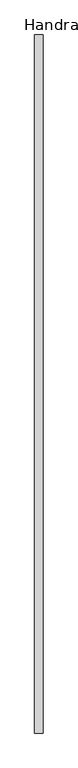
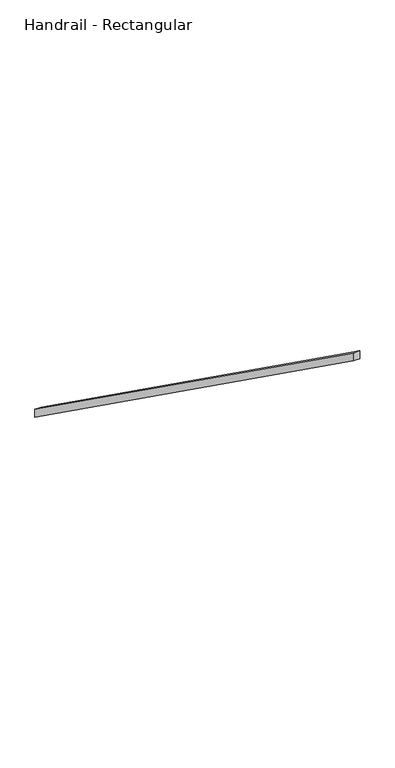
"""IFC4 building model written with IfcOpenShell, lengths in millimetres: railing geometry, Handrail - Rectangular."""

import ifcopenshell
import ifcopenshell.guid

model = None  # the IFC model being written
_history = None  # IfcOwnerHistory: only IFC2X3 demands one
_inside = {}  # id of a spatial element -> (the spatial element, [elements in it])
_under = {}  # id of a project, library or spatial element -> (it, [spatial elements below it])
_declared = {}  # id of a project -> (the project, [libraries it declares])
_typed = {}  # id of a type object -> (the type object, [elements of that type])
_made_of = {}  # id of a material, layer set ... -> (it, [elements and type objects made of it])


def new_model(schema):
    """Start an empty IFC model of exactly this schema.

    Asked for "IFC4X3", IfcOpenShell would pick the latest addendum, in which some entities
    have other attributes; the version numbers below select the first issue.
    IFC2X3 requires an IfcOwnerHistory on every rooted entity: one is made here for all.
    """
    global model, _history
    if schema == "IFC4X3":
        model = ifcopenshell.file(schema_version=(4, 3, 0, 0))
    else:
        model = ifcopenshell.file(schema=schema)
    _inside.clear()
    _under.clear()
    _declared.clear()
    _typed.clear()
    _made_of.clear()
    _history = None
    if model.schema == "IFC2X3":
        org = make("IfcOrganization", Name="unknown")
        user = make(
            "IfcPersonAndOrganization",
            ThePerson=make("IfcPerson", FamilyName="unknown"),
            TheOrganization=org,
        )
        app = make(
            "IfcApplication",
            ApplicationDeveloper=org,
            Version="unknown",
            ApplicationFullName="unknown",
            ApplicationIdentifier="unknown",
        )
        _history = make(
            "IfcOwnerHistory",
            OwningUser=user,
            OwningApplication=app,
            ChangeAction="ADDED",
            CreationDate=0,
        )
    return model


def make(cls, **values):
    """One entity of the class cls with the attributes given. An attribute that is None is left unset."""
    return model.create_entity(
        cls, **{name: value for name, value in values.items() if value is not None}
    )


def rooted(cls, **values):
    """An entity with a GlobalId (a new one), such as an element, a storey or a relation."""
    return make(cls, GlobalId=ifcopenshell.guid.new(), OwnerHistory=_history, **values)


def si_unit(unit_type, name, prefix=None):
    """IfcSIUnit, for example si_unit("LENGTHUNIT", "METRE", prefix="MILLI")."""
    return make("IfcSIUnit", UnitType=unit_type, Prefix=prefix, Name=name)


def assignment(units):
    """IfcUnitAssignment: the units of a project."""
    return None if units is None else make("IfcUnitAssignment", Units=units)


def point(xyz):
    """IfcCartesianPoint."""
    return None if xyz is None else make("IfcCartesianPoint", Coordinates=xyz)


def direction(xyz):
    """IfcDirection."""
    return None if xyz is None else make("IfcDirection", DirectionRatios=xyz)


def frame(location, z_axis=None, x_axis=None):
    """IfcAxis2Placement3D, a coordinate frame: its origin and axes. An axis left out is left unset."""
    return make(
        "IfcAxis2Placement3D",
        Location=point(location),
        Axis=direction(z_axis),
        RefDirection=direction(x_axis),
    )


def origin():
    """The frame at (0, 0, 0) with its axes left unset."""
    return frame((0.0, 0.0, 0.0))


def place(relative_to, where):
    """IfcLocalPlacement: puts the frame where relative to a parent placement (None: the world)."""
    return make(
        "IfcLocalPlacement", PlacementRelTo=relative_to, RelativePlacement=where
    )


def context(
    kind, dimensions, precision=None, world=None, true_north=None, identifier=None
):
    """IfcGeometricRepresentationContext, for example the 3D "Model" context."""
    return make(
        "IfcGeometricRepresentationContext",
        ContextIdentifier=identifier,
        ContextType=kind,
        CoordinateSpaceDimension=dimensions,
        Precision=precision,
        WorldCoordinateSystem=world,
        TrueNorth=true_north,
    )


def project(units=None, contexts=None):
    """IfcProject with its units and contexts."""
    return rooted(
        "IfcProject",
        Name="project",
        RepresentationContexts=contexts,
        UnitsInContext=assignment(units),
    )


def spatial(cls, under=None, at=None, **own):
    """A site, building, storey or space (cls), placed at a placement, below another one or the project."""
    s = rooted(cls, ObjectPlacement=at, **own)
    if under is not None:
        _under.setdefault(under.id(), (under, []))[1].append(s)
    return s


def polyline(points):
    """IfcPolyline through the points."""
    return make("IfcPolyline", Points=[point(p) for p in points])


def outline(outer, holes=None, kind="AREA"):
    """IfcArbitraryClosedProfileDef: a profile drawn as a closed curve; with holes, ...WithVoids."""
    if holes is None:
        return make("IfcArbitraryClosedProfileDef", ProfileType=kind, OuterCurve=outer)
    return make(
        "IfcArbitraryProfileDefWithVoids",
        ProfileType=kind,
        OuterCurve=outer,
        InnerCurves=holes,
    )


def extrude(swept, where, along, depth):
    """IfcExtrudedAreaSolid: the profile swept, set in the frame where, extruded along a direction by depth."""
    return make(
        "IfcExtrudedAreaSolid",
        SweptArea=swept,
        Position=where,
        ExtrudedDirection=direction(along),
        Depth=depth,
    )


def shape(context_of_items, identifier, shape_type, items):
    """IfcShapeRepresentation: the items that make up one representation, for example the "Body"."""
    return make(
        "IfcShapeRepresentation",
        ContextOfItems=context_of_items,
        RepresentationIdentifier=identifier,
        RepresentationType=shape_type,
        Items=items,
    )


def source(mapping_origin, context_of_items, identifier, shape_type, items):
    """IfcRepresentationMap: a shape defined once, which mapped items show again and again."""
    return make(
        "IfcRepresentationMap",
        MappingOrigin=mapping_origin,
        MappedRepresentation=shape(context_of_items, identifier, shape_type, items),
    )


def transform(
    local_origin,
    x_axis=None,
    y_axis=None,
    z_axis=None,
    scale=None,
    scale2=None,
    scale3=None,
    uniform=True,
):
    """IfcCartesianTransformationOperator3D, or its non-uniform kind. x_axis, y_axis, z_axis: its Axis1, 2, 3."""
    if uniform:
        return make(
            "IfcCartesianTransformationOperator3D",
            Axis1=direction(x_axis),
            Axis2=direction(y_axis),
            LocalOrigin=point(local_origin),
            Scale=scale,
            Axis3=direction(z_axis),
        )
    return make(
        "IfcCartesianTransformationOperator3DnonUniform",
        Axis1=direction(x_axis),
        Axis2=direction(y_axis),
        LocalOrigin=point(local_origin),
        Scale=scale,
        Axis3=direction(z_axis),
        Scale2=scale2,
        Scale3=scale3,
    )


def mapped(mapping_source, mapping_target):
    """IfcMappedItem: shows the shape of a source again, moved by a transform."""
    return make(
        "IfcMappedItem", MappingSource=mapping_source, MappingTarget=mapping_target
    )


def made_of(thing, what):
    """Note that an element or type object is made of a material, layer set ...; save() writes the relation."""
    if what is not None:
        _made_of.setdefault(what.id(), (what, []))[1].append(thing)
    return thing


def element(
    cls,
    number,
    at=None,
    inside=None,
    cuts=None,
    type_object=None,
    material=None,
    context=None,
    identifier="Body",
    shape_type=None,
    held_by="IfcProductDefinitionShape",
    body=None,
    shapes=None,
    **own,
):
    """One element of the class cls, such as IfcWall. Its Tag is "e" and its number.

    at: its placement. inside: the storey or other place that contains it. cuts: it is an
    opening in that element (IfcRelVoidsElement). A single representation is given by context,
    identifier, shape_type and body (its items); several are given by shapes. held_by: the class
    of the entity that holds the representations. save() writes the other relations.
    """
    e = rooted(cls, Tag="e%d" % number, ObjectPlacement=at, **own)
    if body is not None:
        shapes = [shape(context, identifier, shape_type, body)]
    if shapes is not None:
        e.Representation = make(held_by, Representations=shapes)
    if inside is not None:
        _inside.setdefault(inside.id(), (inside, []))[1].append(e)
    if cuts is not None:
        rooted(
            "IfcRelVoidsElement", RelatingBuildingElement=cuts, RelatedOpeningElement=e
        )
    if type_object is not None:
        _typed.setdefault(type_object.id(), (type_object, []))[1].append(e)
    return made_of(e, material)


def aggregate(whole, parts):
    """IfcRelAggregates: a whole, such as a stair, and the parts it consists of."""
    return rooted("IfcRelAggregates", RelatingObject=whole, RelatedObjects=parts)


def save(model, path):
    """Write the relations noted so far, then the file.

    IfcRelAggregates (storeys below a building ...), IfcRelContainedInSpatialStructure (elements
    in a storey), IfcRelDefinesByType, IfcRelAssociatesMaterial and IfcRelDeclares: one each for
    every whole, place, type object, material and project.
    """
    for whole, parts in _under.values():
        aggregate(whole, parts)
    for where, things in _inside.values():
        rooted(
            "IfcRelContainedInSpatialStructure",
            RelatedElements=things,
            RelatingStructure=where,
        )
    for kind, things in _typed.values():
        rooted("IfcRelDefinesByType", RelatedObjects=things, RelatingType=kind)
    for what, things in _made_of.values():
        rooted("IfcRelAssociatesMaterial", RelatedObjects=things, RelatingMaterial=what)
    for by, libraries in _declared.values():
        rooted("IfcRelDeclares", RelatingContext=by, RelatedDefinitions=libraries)
    model.write(path)


def handrail_rectangular_80221537(model_context):
    return source(origin(), model_context, "Body", "SweptSolid", [
        extrude(outline(polyline([(3954.1935985, 1741.7142857), (3954.1935985, 1679.2859823), (-313.0064015, 4727.2859823), (-313.0064015, 4789.7142857), (3954.1935985, 1741.7142857)])), frame((-1341.930083, 0.0, 0.0), z_axis=(1.0, 0.0, 0.0), x_axis=(0.0, 1.0, 0.0)), (0.0, 0.0, 1.0), 50.8),
    ])


if __name__ == "__main__":
    model = new_model("IFC4")
    model_context = context("Model", 3, world=origin())
    ifc_project = project(units=[si_unit("LENGTHUNIT", "METRE", prefix="MILLI")], contexts=[model_context])
    site = spatial("IfcSite", under=ifc_project)
    building = spatial("IfcBuilding", under=site)
    placement = place(None, origin())
    handrail_rectangular_shape = handrail_rectangular_80221537(model_context)
    element("IfcRailing", 1, ObjectType="Handrail - Rectangular", at=placement, inside=building, context=model_context, shape_type="MappedRepresentation", body=[
        mapped(handrail_rectangular_shape, transform((0.0, 0.0, 0.0), x_axis=(1.0, 0.0, 0.0), y_axis=(0.0, 1.0, 0.0), z_axis=(0.0, 0.0, 1.0))),
    ])
    save(model, "model.ifc")
